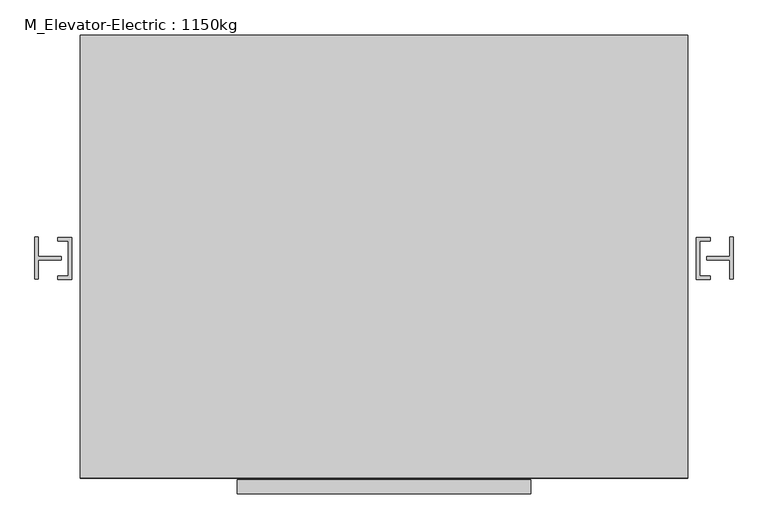
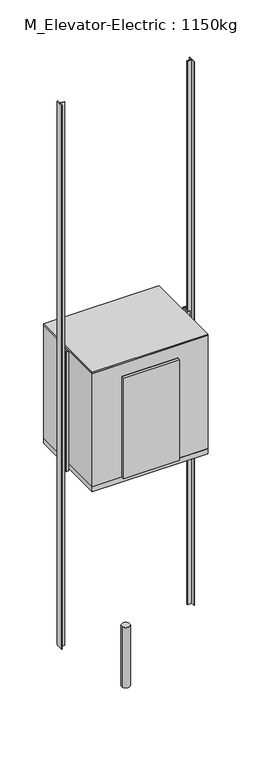
"""IFC4 building model written with IfcOpenShell, lengths in millimetres: proxy geometry, M_Elevator-Electric : 1150kg."""

from ifc_helpers import new_model, si_unit, point, frame, frame_2d, origin, origin_with_axes, place, context, project, spatial, polyline, circle_curve, trimmed, segment, composite_curve, outline, extrude, faceted_brep, source, transform, mapped, element, save


def m_elevator_electric_1150kg_d33bdcd3(model_context):
    return source(origin(), model_context, "Body", "SolidModel", [
        extrude(outline(polyline([(540.8469965, -854.4281737), (540.8469965, -905.2281737), (-525.9530035, -905.2281737), (-525.9530035, -854.4281737), (540.8469965, -854.4281737)])), frame((0.0, 0.0, 3658.4), z_axis=(0.0, 0.0, 1.0), x_axis=(1.0, 0.0, 0.0)), (0.0, 0.0, 1.0), 2032.0),
        extrude(outline(polyline([(1112.3469965, 764.8218263), (1112.3469965, -848.0781737), (-1097.4530035, -848.0781737), (-1097.4530035, 764.8218263), (1112.3469965, 764.8218263)])), frame((0.0, 0.0, 5944.4), z_axis=(0.0, 0.0, 1.0), x_axis=(1.0, 0.0, 0.0)), (0.0, 0.0, 1.0), 25.4),
        extrude(outline(composite_curve([segment(trimmed(circle_curve(frame_2d((7.4469965, -47.9781737)), 76.2), [point((-68.7530035, -47.9781737))], [point((83.6469965, -47.9781737))], False, "CARTESIAN"), True, "CONTINUOUS"), segment(trimmed(circle_curve(frame_2d((7.4469965, -47.9781737)), 76.2), [point((83.6469965, -47.9781737))], [point((-68.7530035, -47.9781737))], False, "CARTESIAN"), True, "CONTINUOUS")], self_intersect=False)), frame((0.0, 0.0, -1219.2), z_axis=(0.0, 0.0, 1.0), x_axis=(1.0, 0.0, 0.0)), (0.0, 0.0, 1.0), 1219.2),
        faceted_brep([(1112.3469965, 764.8218263, 5944.4), (-1097.4530035, 764.8218263, 5944.4), (-1097.4530035, -848.0781737, 5944.4), (1112.3469965, -848.0781737, 5944.4), (1074.2469965, 714.0218263, 5944.4), (1074.2469965, -809.9781737, 5944.4), (-1059.3530035, -809.9781737, 5944.4), (-1059.3530035, 714.0218263, 5944.4), (1074.2469965, 714.0218263, 3658.4), (-1059.3530035, 714.0218263, 3658.4), (-1059.3530035, -809.9781737, 3658.4), (-525.9530035, -809.9781737, 3658.4), (-525.9530035, -848.0781737, 3658.4), (-1097.4530035, -848.0781737, 3658.4), (-1097.4530035, 764.8218263, 3658.4), (1112.3469965, 764.8218263, 3658.4), (1112.3469965, -848.0781737, 3658.4), (540.8469965, -848.0781737, 3658.4), (540.8469965, -809.9781737, 3658.4), (1074.2469965, -809.9781737, 3658.4), (540.8469965, -809.9781737, 5690.4), (-525.9530035, -809.9781737, 5690.4), (-525.9530035, -848.0781737, 5690.4), (540.8469965, -848.0781737, 5690.4)], [[[0, 1, 2, 3], [4, 5, 6, 7]], [[8, 9, 10, 11, 12, 13, 14, 15, 16, 17, 18, 19]], [[5, 4, 8, 19]], [[6, 5, 19, 18, 20, 21, 11, 10]], [[7, 6, 10, 9]], [[4, 7, 9, 8]], [[1, 0, 15, 14]], [[2, 1, 14, 13]], [[3, 2, 13, 12, 22, 23, 17, 16]], [[0, 3, 16, 15]], [[22, 21, 20, 23]], [[21, 22, 12, 11]], [[23, 20, 18, 17]]]),
        extrude(outline(polyline([(1112.3469965, 764.8218263), (1112.3469965, -848.0781737), (-1097.4530035, -848.0781737), (-1097.4530035, 764.8218263), (1112.3469965, 764.8218263)])), frame((0.0, 0.0, 3556.8), z_axis=(0.0, 0.0, 1.0), x_axis=(1.0, 0.0, 0.0)), (0.0, 0.0, 1.0), 101.6),
        extrude(outline(polyline([(-1129.2030035, 28.2218263), (-1129.2030035, -124.1781737), (-1180.0030035, -124.1781737), (-1180.0030035, -111.4781737), (-1141.9030035, -111.4781737), (-1141.9030035, 15.5218263), (-1180.0030035, 15.5218263), (-1180.0030035, 28.2218263), (-1129.2030035, 28.2218263)])), frame((0.0, 0.0, 3556.0), z_axis=(0.0, 0.0, 1.0), x_axis=(1.0, 0.0, 0.0)), (0.0, 0.0, 1.0), 2413.8),
        extrude(outline(polyline([(1144.0969965, 28.2218263), (1194.8969965, 28.2218263), (1194.8969965, 15.5218263), (1156.7969965, 15.5218263), (1156.7969965, -111.4781737), (1194.8969965, -111.4781737), (1194.8969965, -124.1781737), (1144.0969965, -124.1781737), (1144.0969965, 28.2218263)])), frame((0.0, 0.0, 3556.0), z_axis=(0.0, 0.0, 1.0), x_axis=(1.0, 0.0, 0.0)), (0.0, 0.0, 1.0), 2413.8),
        extrude(outline(polyline([(-1249.8530035, 28.2218263), (-1249.8530035, -41.6281737), (-1167.3030035, -41.6281737), (-1167.3030035, -54.3281737), (-1249.8530035, -54.3281737), (-1249.8530035, -124.1781737), (-1262.5530035, -124.1781737), (-1262.5530035, 28.2218263), (-1249.8530035, 28.2218263)])), origin_with_axes(), (0.0, 0.0, 1.0), 10973.6),
        extrude(outline(polyline([(1264.7469965, 28.2218263), (1277.4469965, 28.2218263), (1277.4469965, -124.1781737), (1264.7469965, -124.1781737), (1264.7469965, -54.3281737), (1182.1969965, -54.3281737), (1182.1969965, -41.6281737), (1264.7469965, -41.6281737), (1264.7469965, 28.2218263)])), origin_with_axes(), (0.0, 0.0, 1.0), 10973.6),
    ])


if __name__ == "__main__":
    model = new_model("IFC4")
    model_context = context("Model", 3, world=origin())
    ifc_project = project(units=[si_unit("LENGTHUNIT", "METRE", prefix="MILLI")], contexts=[model_context])
    site = spatial("IfcSite", under=ifc_project)
    building = spatial("IfcBuilding", under=site)
    placement = place(None, origin())
    m_elevator_electric_1150kg_shape = m_elevator_electric_1150kg_d33bdcd3(model_context)
    element("IfcBuildingElementProxy", 1, Name="M_Elevator-Electric : 1150kg", ObjectType="M_Elevator-Electric : 1150kg", at=placement, inside=building, context=model_context, shape_type="MappedRepresentation", body=[
        mapped(m_elevator_electric_1150kg_shape, transform((0.0, 0.0, 0.0), x_axis=(1.0, 0.0, 0.0), y_axis=(0.0, 1.0, 0.0), z_axis=(0.0, 0.0, 1.0))),
    ])
    save(model, "model.ifc")
